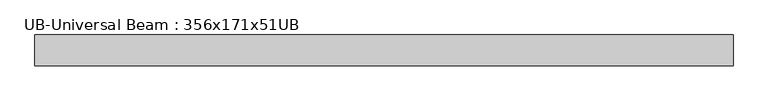
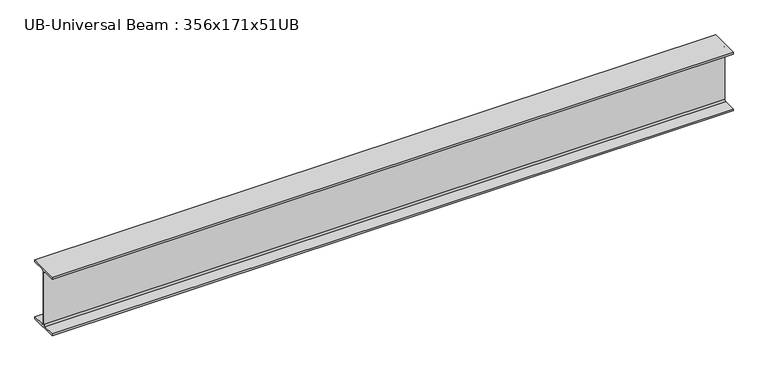
"""IFC4 building model written with IfcOpenShell, lengths in millimetres: beam geometry, UB-Universal Beam : 356x171x51UB."""

from ifc_helpers import new_model, si_unit, point, frame, frame_2d, origin, place, context, project, spatial, polyline, circle_curve, trimmed, segment, composite_curve, outline, extrude, source, transform, mapped, element, save


def ub_universal_beam_356x171x51ub_645bb8c8(model_context):
    return source(origin(), model_context, "Body", "SweptSolid", [
        extrude(outline(composite_curve([segment(polyline([(85.75, -166.0), (85.75, -177.5), (-85.75, -177.5), (-85.75, -166.0), (-13.9, -166.0)]), True, "CONTINUOUS"), segment(trimmed(circle_curve(frame_2d((-13.9, -155.8)), 10.2), [point((-13.9, -166.0))], [point((-3.7, -155.8))], True, "CARTESIAN"), True, "CONTINUOUS"), segment(polyline([(-3.7, -155.8), (-3.7, 155.8)]), True, "CONTINUOUS"), segment(trimmed(circle_curve(frame_2d((-13.9, 155.8)), 10.2), [point((-3.7, 155.8))], [point((-13.9, 166.0))], True, "CARTESIAN"), True, "CONTINUOUS"), segment(polyline([(-13.9, 166.0), (-85.75, 166.0), (-85.75, 177.5), (85.75, 177.5), (85.75, 166.0), (13.9, 166.0)]), True, "CONTINUOUS"), segment(trimmed(circle_curve(frame_2d((13.9, 155.8)), 10.2), [point((13.9, 166.0))], [point((3.7, 155.8))], True, "CARTESIAN"), True, "CONTINUOUS"), segment(polyline([(3.7, 155.8), (3.7, -155.8)]), True, "CONTINUOUS"), segment(trimmed(circle_curve(frame_2d((13.9, -155.8)), 10.2), [point((3.7, -155.8))], [point((13.9, -166.0))], True, "CARTESIAN"), True, "CONTINUOUS"), segment(polyline([(13.9, -166.0), (85.75, -166.0)]), True, "CONTINUOUS")], self_intersect=False)), frame((-1987.2999994, 0.0, 0.0), z_axis=(1.0, 0.0, 0.0), x_axis=(0.0, 1.0, 0.0)), (0.0, 0.0, 1.0), 3888.8499994),
    ])


if __name__ == "__main__":
    model = new_model("IFC4")
    model_context = context("Model", 3, world=origin())
    ifc_project = project(units=[si_unit("LENGTHUNIT", "METRE", prefix="MILLI")], contexts=[model_context])
    site = spatial("IfcSite", under=ifc_project)
    building = spatial("IfcBuilding", under=site)
    placement = place(None, origin())
    ub_universal_beam_356x171x51ub_shape = ub_universal_beam_356x171x51ub_645bb8c8(model_context)
    element("IfcBeam", 1, ObjectType="UB-Universal Beam : 356x171x51UB", at=placement, inside=building, context=model_context, shape_type="MappedRepresentation", body=[
        mapped(ub_universal_beam_356x171x51ub_shape, transform((0.0, 0.0, 0.0), x_axis=(1.0, 0.0, 0.0), y_axis=(0.0, 1.0, 0.0), z_axis=(0.0, 0.0, 1.0))),
    ])
    save(model, "model.ifc")
